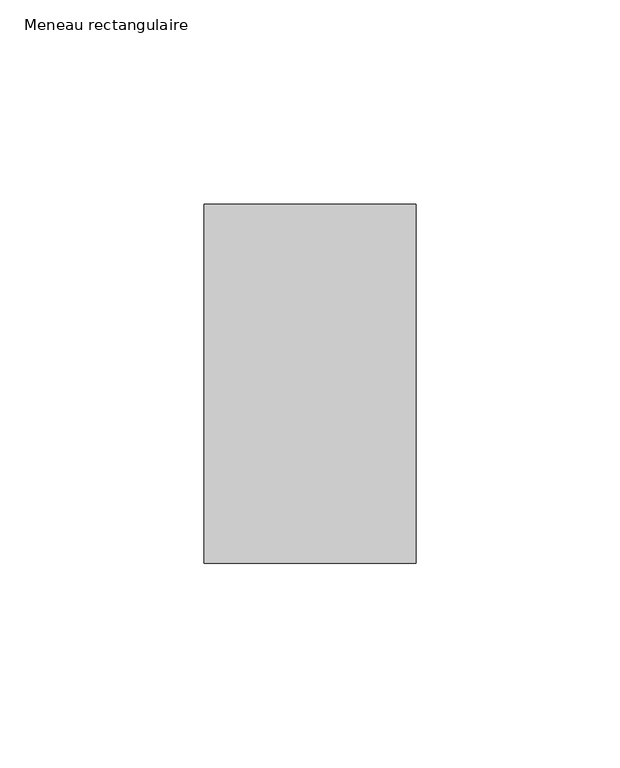
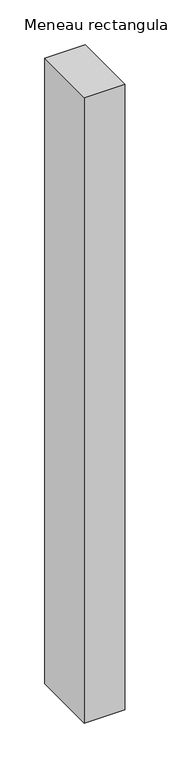
"""IFC4 building model written with IfcOpenShell, lengths in millimetres: member geometry, Meneau rectangulaire."""

from ifc_helpers import new_model, si_unit, frame, origin, place, context, project, spatial, polyline, outline, extrude, source, transform, mapped, element, save


def meneau_rectangulaire_2cde59d4(model_context):
    return source(origin(), model_context, "Body", "SweptSolid", [
        extrude(outline(polyline([(-52.0, 44.0), (0.0, 44.0), (0.0, -44.0), (-52.0, -44.0), (-52.0, 44.0)])), frame((0.0, 0.0, -850.7695155), z_axis=(0.0, 0.0, 1.0), x_axis=(1.0, 0.0, 0.0)), (0.0, 0.0, 1.0), 850.7695155),
    ])


if __name__ == "__main__":
    model = new_model("IFC4")
    model_context = context("Model", 3, world=origin())
    ifc_project = project(units=[si_unit("LENGTHUNIT", "METRE", prefix="MILLI")], contexts=[model_context])
    site = spatial("IfcSite", under=ifc_project)
    building = spatial("IfcBuilding", under=site)
    placement = place(None, origin())
    meneau_rectangulaire_shape = meneau_rectangulaire_2cde59d4(model_context)
    element("IfcMember", 1, ObjectType="Meneau rectangulaire", at=placement, inside=building, context=model_context, shape_type="MappedRepresentation", body=[
        mapped(meneau_rectangulaire_shape, transform((0.0, 0.0, 0.0), x_axis=(1.0, 0.0, 0.0), y_axis=(0.0, 1.0, 0.0), z_axis=(0.0, 0.0, 1.0))),
    ])
    save(model, "model.ifc")
